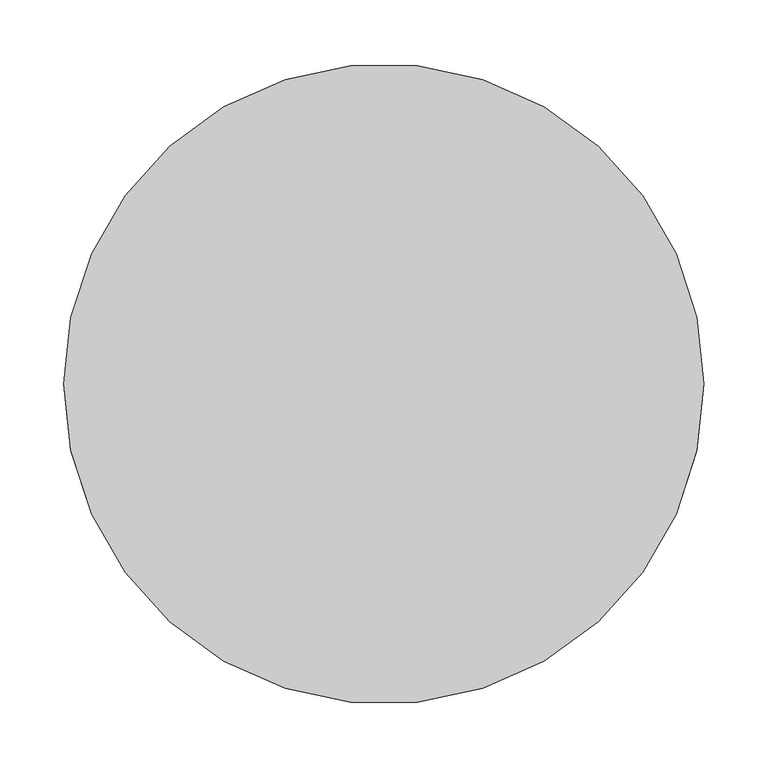
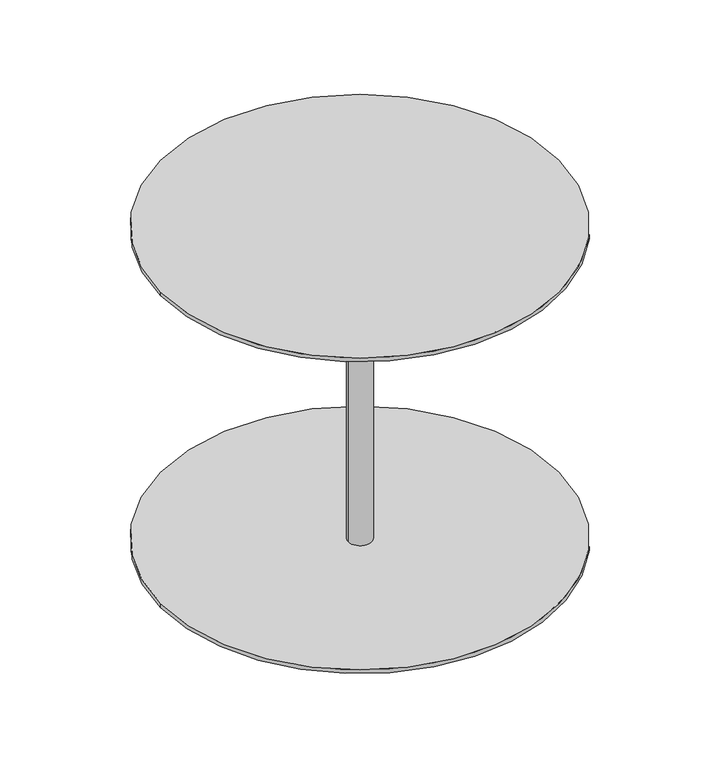
"""IFC4 building model written with IfcOpenShell, lengths in millimetres: furniture geometry."""

from ifc_helpers import new_model, si_unit, point, frame, origin, origin_with_axes, origin_2d, place, context, project, spatial, circle_curve, trimmed, segment, composite_curve, outline, extrude, source, transform, mapped, element, save


def furniture_62ed65bc(model_context):
    return source(origin(), model_context, "Body", "SweptSolid", [
        extrude(outline(composite_curve([segment(trimmed(circle_curve(origin_2d(), 14.6560466), [point((-14.6560466, 0.0))], [point((14.6560466, 0.0))], False, "CARTESIAN"), True, "CONTINUOUS"), segment(trimmed(circle_curve(origin_2d(), 14.6560466), [point((14.6560466, 0.0))], [point((-14.6560466, 0.0))], False, "CARTESIAN"), True, "CONTINUOUS")], self_intersect=False)), frame((0.0, 0.0, 5.0274059), z_axis=(0.0, 0.0, 1.0), x_axis=(1.0, 0.0, 0.0)), (0.0, 0.0, 1.0), 409.0451756),
        extrude(outline(composite_curve([segment(trimmed(circle_curve(origin_2d(), 250.1892547), [point((-250.1892547, 0.0))], [point((250.1892547, 0.0))], False, "CARTESIAN"), True, "CONTINUOUS"), segment(trimmed(circle_curve(origin_2d(), 250.1892547), [point((250.1892547, 0.0))], [point((-250.1892547, 0.0))], False, "CARTESIAN"), True, "CONTINUOUS")], self_intersect=False)), frame((0.0, 0.0, 414.0725816), z_axis=(0.0, 0.0, 1.0), x_axis=(1.0, 0.0, 0.0)), (0.0, 0.0, 1.0), 5.0274184),
        extrude(outline(composite_curve([segment(trimmed(circle_curve(origin_2d(), 250.1892547), [point((-250.1892547, 0.0))], [point((250.1892547, 0.0))], False, "CARTESIAN"), True, "CONTINUOUS"), segment(trimmed(circle_curve(origin_2d(), 250.1892547), [point((250.1892547, 0.0))], [point((-250.1892547, 0.0))], False, "CARTESIAN"), True, "CONTINUOUS")], self_intersect=False)), origin_with_axes(), (0.0, 0.0, 1.0), 5.0274059),
    ])


if __name__ == "__main__":
    model = new_model("IFC4")
    model_context = context("Model", 3, world=origin())
    ifc_project = project(units=[si_unit("LENGTHUNIT", "METRE", prefix="MILLI")], contexts=[model_context])
    site = spatial("IfcSite", under=ifc_project)
    building = spatial("IfcBuilding", under=site)
    placement = place(None, origin())
    furniture_shape = furniture_62ed65bc(model_context)
    element("IfcFurniture", 1, at=placement, inside=building, context=model_context, shape_type="MappedRepresentation", body=[
        mapped(furniture_shape, transform((0.0, 0.0, 0.0), x_axis=(1.0, 0.0, 0.0), y_axis=(0.0, 1.0, 0.0), z_axis=(0.0, 0.0, 1.0))),
    ])
    save(model, "model.ifc")
